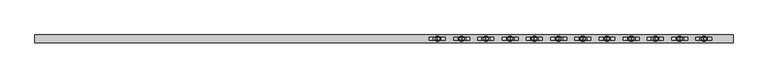
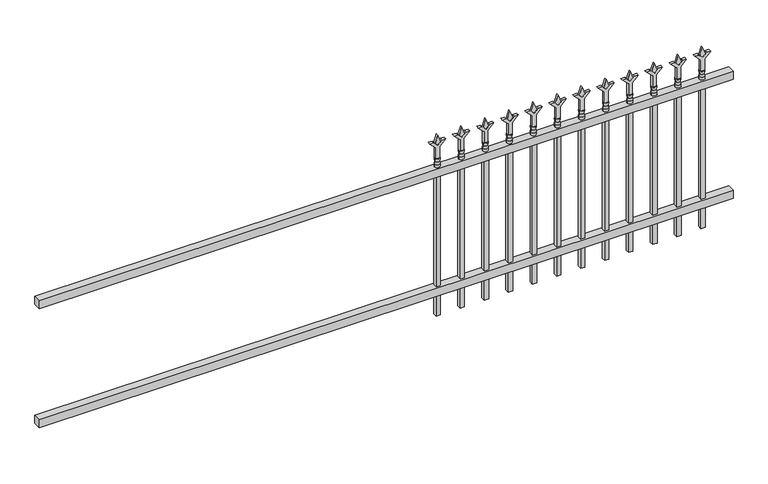
"""IFC4 building model written with IfcOpenShell, lengths in millimetres: railing geometry."""

from ifc_helpers import new_model, si_unit, frame, origin, place, context, project, spatial, polyline, circle_curve, outline, extrude, source, transform, mapped, element, save
from ifc_brep_helpers import plane_surface, cylinder_surface, revolved_surface, advanced_brep


def railing_bd4ea002(model_context):
    return source(origin(), model_context, "Body", "SolidModel", [
        extrude(outline(polyline([(-91799.918087, 5443.2804826), (-91799.918087, 5478.2054826), (-88650.318087, 5478.2054826), (-88650.318087, 5443.2804826), (-91799.918087, 5443.2804826)])), frame((0.0, 0.0, 723.9), z_axis=(0.0, 0.0, 1.0), x_axis=(1.0, 0.0, 0.0)), (0.0, 0.0, 1.0), 38.1),
        extrude(outline(polyline([(-91799.918087, 5443.2804826), (-91799.918087, 5478.2054826), (-88650.318087, 5478.2054826), (-88650.318087, 5443.2804826), (-91799.918087, 5443.2804826)])), frame((0.0, 0.0, 152.4), z_axis=(0.0, 0.0, 1.0), x_axis=(1.0, 0.0, 0.0)), (0.0, 0.0, 1.0), 38.1),
        extrude(outline(polyline([(878.68125, -88879.4472536), (914.4, -88891.3535036), (878.68125, -88903.2597536), (866.775, -88891.3535036), (878.68125, -88879.4472536)])), frame((0.0, 5455.9804826, 0.0), z_axis=(0.0, 1.0, 0.0), x_axis=(0.0, 0.0, 1.0)), (0.0, 0.0, 1.0), 9.525),
        extrude(outline(polyline([(803.275, -88882.6222536), (857.5457378, -88882.6222536), (884.7355122, -88855.4324791), (884.7355122, -88873.3929914), (866.775, -88891.3535036), (884.7355122, -88909.3140159), (884.7355122, -88927.2745281), (857.5457378, -88900.0847536), (803.275, -88900.0847536), (803.275, -88882.6222536)])), frame((0.0, 5454.3929826, 0.0), z_axis=(0.0, 1.0, 0.0), x_axis=(0.0, 0.0, 1.0)), (0.0, 0.0, 1.0), 12.7),
        advanced_brep(
        [(-88879.4472536, 5460.7429826, 774.7), (-88903.2597536, 5460.7429826, 774.7), (-88903.2597536, 5460.7429826, 762.0), (-88879.4472536, 5460.7429826, 762.0), (-88881.6525855, 5460.7429826, 787.2070585), (-88901.0544218, 5460.7429826, 787.2070585), (-88879.4472536, 5460.7429826, 803.275), (-88903.2597536, 5460.7429826, 803.275), (-88891.3535036, 5460.7429826, 803.275), (-88891.3535036, 5460.7429826, 762.0)],
        [
            (0, 1, circle_curve(frame((-88891.3535036, 5460.7429826, 774.7), z_axis=(0.0, 0.0, -1.0), x_axis=(-1.0, 0.0, 0.0)), 11.90625)),
            (1, 2),
            (2, 3, circle_curve(frame((-88891.3535036, 5460.7429826, 762.0), z_axis=(0.0, 0.0, 1.0), x_axis=(-1.0, 0.0, 0.0)), 11.90625)),
            (3, 0),
            (1, 0, circle_curve(frame((-88891.3535036, 5460.7429826, 774.7), z_axis=(0.0, 0.0, -1.0), x_axis=(-1.0, 0.0, 0.0)), 11.90625)),
            (3, 2, circle_curve(frame((-88891.3535036, 5460.7429826, 762.0), z_axis=(0.0, 0.0, 1.0), x_axis=(-1.0, 0.0, 0.0)), 11.90625)),
            (4, 5, circle_curve(frame((-88891.3535036, 5460.7429826, 787.2070585), z_axis=(0.0, 0.0, -1.0), x_axis=(-1.0, 0.0, 0.0)), 9.7009181)),
            (5, 1),
            (0, 4),
            (5, 4, circle_curve(frame((-88891.3535036, 5460.7429826, 787.2070585), z_axis=(0.0, 0.0, -1.0), x_axis=(-1.0, 0.0, 0.0)), 9.7009181)),
            (6, 7, circle_curve(frame((-88891.3535036, 5460.7429826, 803.275), z_axis=(0.0, 0.0, -1.0), x_axis=(-1.0, 0.0, 0.0)), 11.90625)),
            (7, 5),
            (4, 6),
            (7, 6, circle_curve(frame((-88891.3535036, 5460.7429826, 803.275), z_axis=(0.0, 0.0, -1.0), x_axis=(-1.0, 0.0, 0.0)), 11.90625)),
            (8, 7),
            (6, 8),
            (2, 9),
            (9, 3),
        ],
        [
            cylinder_surface(frame((-88891.3535036, 5460.7429826, 762.0), z_axis=(0.0, 0.0, 1.0), x_axis=(-1.0, 0.0, 0.0)), 11.90625),
            revolved_surface(polyline([(-88903.2597536, 5460.7429826, 774.7), (-88901.0544218, 5460.7429826, 787.2070585)]), (-88891.3535036, 5460.7429826, 762.0), (0.0, 0.0, 1.0)),
            revolved_surface(polyline([(-88901.0544218, 5460.7429826, 787.2070585), (-88903.2597536, 5460.7429826, 803.275)]), (-88891.3535036, 5460.7429826, 762.0), (0.0, 0.0, 1.0)),
            plane_surface(frame((-88891.3535036, 5460.7429826, 803.275), z_axis=(0.0, 0.0, 1.0), x_axis=(-1.0, 0.0, 0.0))),
            plane_surface(frame((-88891.3535036, 5460.7429826, 762.0), z_axis=(0.0, 0.0, -1.0), x_axis=(-1.0, 0.0, 0.0))),
        ],
        [
            (0, [[1, 2, 3, 4]]),
            (0, [[5, -4, 6, -2]]),
            (1, [[7, 8, -1, 9]]),
            (1, [[10, -9, -5, -8]]),
            (2, [[11, 12, -7, 13]]),
            (2, [[14, -13, -10, -12]]),
            (3, [[15, -11, 16]]),
            (3, [[-16, -14, -15]]),
            (4, [[-3, 17, 18]]),
            (4, [[-6, -18, -17]]),
        ],
    ),
        extrude(outline(polyline([(-88900.8785036, 5470.2679826), (-88881.8285036, 5470.2679826), (-88881.8285036, 5451.2179826), (-88900.8785036, 5451.2179826), (-88900.8785036, 5470.2679826)])), frame((0.0, 0.0, 50.8), z_axis=(0.0, 0.0, 1.0), x_axis=(1.0, 0.0, 0.0)), (0.0, 0.0, 1.0), 711.2),
        extrude(outline(polyline([(878.68125, -88988.7201703), (914.4, -89000.6264203), (878.68125, -89012.5326703), (866.775, -89000.6264203), (878.68125, -88988.7201703)])), frame((0.0, 5455.9804826, 0.0), z_axis=(0.0, 1.0, 0.0), x_axis=(0.0, 0.0, 1.0)), (0.0, 0.0, 1.0), 9.525),
        extrude(outline(polyline([(803.275, -88991.8951703), (857.5457378, -88991.8951703), (884.7355122, -88964.7053958), (884.7355122, -88982.6659081), (866.775, -89000.6264203), (884.7355122, -89018.5869325), (884.7355122, -89036.5474448), (857.5457378, -89009.3576703), (803.275, -89009.3576703), (803.275, -88991.8951703)])), frame((0.0, 5454.3929826, 0.0), z_axis=(0.0, 1.0, 0.0), x_axis=(0.0, 0.0, 1.0)), (0.0, 0.0, 1.0), 12.7),
        advanced_brep(
        [(-88988.7201703, 5460.7429826, 774.7), (-89012.5326703, 5460.7429826, 774.7), (-89012.5326703, 5460.7429826, 762.0), (-88988.7201703, 5460.7429826, 762.0), (-88990.9255022, 5460.7429826, 787.2070585), (-89010.3273384, 5460.7429826, 787.2070585), (-88988.7201703, 5460.7429826, 803.275), (-89012.5326703, 5460.7429826, 803.275), (-89000.6264203, 5460.7429826, 803.275), (-89000.6264203, 5460.7429826, 762.0)],
        [
            (0, 1, circle_curve(frame((-89000.6264203, 5460.7429826, 774.7), z_axis=(0.0, 0.0, -1.0), x_axis=(-1.0, 0.0, 0.0)), 11.90625)),
            (1, 2),
            (2, 3, circle_curve(frame((-89000.6264203, 5460.7429826, 762.0), z_axis=(0.0, 0.0, 1.0), x_axis=(-1.0, 0.0, 0.0)), 11.90625)),
            (3, 0),
            (1, 0, circle_curve(frame((-89000.6264203, 5460.7429826, 774.7), z_axis=(0.0, 0.0, -1.0), x_axis=(-1.0, 0.0, 0.0)), 11.90625)),
            (3, 2, circle_curve(frame((-89000.6264203, 5460.7429826, 762.0), z_axis=(0.0, 0.0, 1.0), x_axis=(-1.0, 0.0, 0.0)), 11.90625)),
            (4, 5, circle_curve(frame((-89000.6264203, 5460.7429826, 787.2070585), z_axis=(0.0, 0.0, -1.0), x_axis=(-1.0, 0.0, 0.0)), 9.7009181)),
            (5, 1),
            (0, 4),
            (5, 4, circle_curve(frame((-89000.6264203, 5460.7429826, 787.2070585), z_axis=(0.0, 0.0, -1.0), x_axis=(-1.0, 0.0, 0.0)), 9.7009181)),
            (6, 7, circle_curve(frame((-89000.6264203, 5460.7429826, 803.275), z_axis=(0.0, 0.0, -1.0), x_axis=(-1.0, 0.0, 0.0)), 11.90625)),
            (7, 5),
            (4, 6),
            (7, 6, circle_curve(frame((-89000.6264203, 5460.7429826, 803.275), z_axis=(0.0, 0.0, -1.0), x_axis=(-1.0, 0.0, 0.0)), 11.90625)),
            (8, 7),
            (6, 8),
            (2, 9),
            (9, 3),
        ],
        [
            cylinder_surface(frame((-89000.6264203, 5460.7429826, 762.0), z_axis=(0.0, 0.0, 1.0), x_axis=(-1.0, 0.0, 0.0)), 11.90625),
            revolved_surface(polyline([(-89012.5326703, 5460.7429826, 774.7), (-89010.3273384, 5460.7429826, 787.2070585)]), (-89000.6264203, 5460.7429826, 762.0), (0.0, 0.0, 1.0)),
            revolved_surface(polyline([(-89010.3273384, 5460.7429826, 787.2070585), (-89012.5326703, 5460.7429826, 803.275)]), (-89000.6264203, 5460.7429826, 762.0), (0.0, 0.0, 1.0)),
            plane_surface(frame((-89000.6264203, 5460.7429826, 803.275), z_axis=(0.0, 0.0, 1.0), x_axis=(-1.0, 0.0, 0.0))),
            plane_surface(frame((-89000.6264203, 5460.7429826, 762.0), z_axis=(0.0, 0.0, -1.0), x_axis=(-1.0, 0.0, 0.0))),
        ],
        [
            (0, [[1, 2, 3, 4]]),
            (0, [[5, -4, 6, -2]]),
            (1, [[7, 8, -1, 9]]),
            (1, [[10, -9, -5, -8]]),
            (2, [[11, 12, -7, 13]]),
            (2, [[14, -13, -10, -12]]),
            (3, [[15, -11, 16]]),
            (3, [[-16, -14, -15]]),
            (4, [[-3, 17, 18]]),
            (4, [[-6, -18, -17]]),
        ],
    ),
        extrude(outline(polyline([(-89010.1514203, 5470.2679826), (-88991.1014203, 5470.2679826), (-88991.1014203, 5451.2179826), (-89010.1514203, 5451.2179826), (-89010.1514203, 5470.2679826)])), frame((0.0, 0.0, 50.8), z_axis=(0.0, 0.0, 1.0), x_axis=(1.0, 0.0, 0.0)), (0.0, 0.0, 1.0), 711.2),
        extrude(outline(polyline([(878.68125, -89097.993087), (914.4, -89109.899337), (878.68125, -89121.805587), (866.775, -89109.899337), (878.68125, -89097.993087)])), frame((0.0, 5455.9804826, 0.0), z_axis=(0.0, 1.0, 0.0), x_axis=(0.0, 0.0, 1.0)), (0.0, 0.0, 1.0), 9.525),
        extrude(outline(polyline([(803.275, -89101.168087), (857.5457378, -89101.168087), (884.7355122, -89073.9783125), (884.7355122, -89091.9388247), (866.775, -89109.899337), (884.7355122, -89127.8598492), (884.7355122, -89145.8203614), (857.5457378, -89118.630587), (803.275, -89118.630587), (803.275, -89101.168087)])), frame((0.0, 5454.3929826, 0.0), z_axis=(0.0, 1.0, 0.0), x_axis=(0.0, 0.0, 1.0)), (0.0, 0.0, 1.0), 12.7),
        advanced_brep(
        [(-89097.993087, 5460.7429826, 774.7), (-89121.805587, 5460.7429826, 774.7), (-89121.805587, 5460.7429826, 762.0), (-89097.993087, 5460.7429826, 762.0), (-89100.1984188, 5460.7429826, 787.2070585), (-89119.6002551, 5460.7429826, 787.2070585), (-89097.993087, 5460.7429826, 803.275), (-89121.805587, 5460.7429826, 803.275), (-89109.899337, 5460.7429826, 803.275), (-89109.899337, 5460.7429826, 762.0)],
        [
            (0, 1, circle_curve(frame((-89109.899337, 5460.7429826, 774.7), z_axis=(0.0, 0.0, -1.0), x_axis=(-1.0, 0.0, 0.0)), 11.90625)),
            (1, 2),
            (2, 3, circle_curve(frame((-89109.899337, 5460.7429826, 762.0), z_axis=(0.0, 0.0, 1.0), x_axis=(-1.0, 0.0, 0.0)), 11.90625)),
            (3, 0),
            (1, 0, circle_curve(frame((-89109.899337, 5460.7429826, 774.7), z_axis=(0.0, 0.0, -1.0), x_axis=(-1.0, 0.0, 0.0)), 11.90625)),
            (3, 2, circle_curve(frame((-89109.899337, 5460.7429826, 762.0), z_axis=(0.0, 0.0, 1.0), x_axis=(-1.0, 0.0, 0.0)), 11.90625)),
            (4, 5, circle_curve(frame((-89109.899337, 5460.7429826, 787.2070585), z_axis=(0.0, 0.0, -1.0), x_axis=(-1.0, 0.0, 0.0)), 9.7009181)),
            (5, 1),
            (0, 4),
            (5, 4, circle_curve(frame((-89109.899337, 5460.7429826, 787.2070585), z_axis=(0.0, 0.0, -1.0), x_axis=(-1.0, 0.0, 0.0)), 9.7009181)),
            (6, 7, circle_curve(frame((-89109.899337, 5460.7429826, 803.275), z_axis=(0.0, 0.0, -1.0), x_axis=(-1.0, 0.0, 0.0)), 11.90625)),
            (7, 5),
            (4, 6),
            (7, 6, circle_curve(frame((-89109.899337, 5460.7429826, 803.275), z_axis=(0.0, 0.0, -1.0), x_axis=(-1.0, 0.0, 0.0)), 11.90625)),
            (8, 7),
            (6, 8),
            (2, 9),
            (9, 3),
        ],
        [
            cylinder_surface(frame((-89109.899337, 5460.7429826, 762.0), z_axis=(0.0, 0.0, 1.0), x_axis=(-1.0, 0.0, 0.0)), 11.90625),
            revolved_surface(polyline([(-89121.805587, 5460.7429826, 774.7), (-89119.6002551, 5460.7429826, 787.2070585)]), (-89109.899337, 5460.7429826, 762.0), (0.0, 0.0, 1.0)),
            revolved_surface(polyline([(-89119.6002551, 5460.7429826, 787.2070585), (-89121.805587, 5460.7429826, 803.275)]), (-89109.899337, 5460.7429826, 762.0), (0.0, 0.0, 1.0)),
            plane_surface(frame((-89109.899337, 5460.7429826, 803.275), z_axis=(0.0, 0.0, 1.0), x_axis=(-1.0, 0.0, 0.0))),
            plane_surface(frame((-89109.899337, 5460.7429826, 762.0), z_axis=(0.0, 0.0, -1.0), x_axis=(-1.0, 0.0, 0.0))),
        ],
        [
            (0, [[1, 2, 3, 4]]),
            (0, [[5, -4, 6, -2]]),
            (1, [[7, 8, -1, 9]]),
            (1, [[10, -9, -5, -8]]),
            (2, [[11, 12, -7, 13]]),
            (2, [[14, -13, -10, -12]]),
            (3, [[15, -11, 16]]),
            (3, [[-16, -14, -15]]),
            (4, [[-3, 17, 18]]),
            (4, [[-6, -18, -17]]),
        ],
    ),
        extrude(outline(polyline([(-89119.424337, 5470.2679826), (-89100.374337, 5470.2679826), (-89100.374337, 5451.2179826), (-89119.424337, 5451.2179826), (-89119.424337, 5470.2679826)])), frame((0.0, 0.0, 50.8), z_axis=(0.0, 0.0, 1.0), x_axis=(1.0, 0.0, 0.0)), (0.0, 0.0, 1.0), 711.2),
        extrude(outline(polyline([(878.68125, -89207.2660036), (914.4, -89219.1722536), (878.68125, -89231.0785036), (866.775, -89219.1722536), (878.68125, -89207.2660036)])), frame((0.0, 5455.9804826, 0.0), z_axis=(0.0, 1.0, 0.0), x_axis=(0.0, 0.0, 1.0)), (0.0, 0.0, 1.0), 9.525),
        extrude(outline(polyline([(803.275, -89210.4410036), (857.5457378, -89210.4410036), (884.7355122, -89183.2512291), (884.7355122, -89201.2117414), (866.775, -89219.1722536), (884.7355122, -89237.1327659), (884.7355122, -89255.0932781), (857.5457378, -89227.9035036), (803.275, -89227.9035036), (803.275, -89210.4410036)])), frame((0.0, 5454.3929826, 0.0), z_axis=(0.0, 1.0, 0.0), x_axis=(0.0, 0.0, 1.0)), (0.0, 0.0, 1.0), 12.7),
        advanced_brep(
        [(-89207.2660036, 5460.7429826, 774.7), (-89231.0785036, 5460.7429826, 774.7), (-89231.0785036, 5460.7429826, 762.0), (-89207.2660036, 5460.7429826, 762.0), (-89209.4713355, 5460.7429826, 787.2070585), (-89228.8731718, 5460.7429826, 787.2070585), (-89207.2660036, 5460.7429826, 803.275), (-89231.0785036, 5460.7429826, 803.275), (-89219.1722536, 5460.7429826, 803.275), (-89219.1722536, 5460.7429826, 762.0)],
        [
            (0, 1, circle_curve(frame((-89219.1722536, 5460.7429826, 774.7), z_axis=(0.0, 0.0, -1.0), x_axis=(-1.0, 0.0, 0.0)), 11.90625)),
            (1, 2),
            (2, 3, circle_curve(frame((-89219.1722536, 5460.7429826, 762.0), z_axis=(0.0, 0.0, 1.0), x_axis=(-1.0, 0.0, 0.0)), 11.90625)),
            (3, 0),
            (1, 0, circle_curve(frame((-89219.1722536, 5460.7429826, 774.7), z_axis=(0.0, 0.0, -1.0), x_axis=(-1.0, 0.0, 0.0)), 11.90625)),
            (3, 2, circle_curve(frame((-89219.1722536, 5460.7429826, 762.0), z_axis=(0.0, 0.0, 1.0), x_axis=(-1.0, 0.0, 0.0)), 11.90625)),
            (4, 5, circle_curve(frame((-89219.1722536, 5460.7429826, 787.2070585), z_axis=(0.0, 0.0, -1.0), x_axis=(-1.0, 0.0, 0.0)), 9.7009181)),
            (5, 1),
            (0, 4),
            (5, 4, circle_curve(frame((-89219.1722536, 5460.7429826, 787.2070585), z_axis=(0.0, 0.0, -1.0), x_axis=(-1.0, 0.0, 0.0)), 9.7009181)),
            (6, 7, circle_curve(frame((-89219.1722536, 5460.7429826, 803.275), z_axis=(0.0, 0.0, -1.0), x_axis=(-1.0, 0.0, 0.0)), 11.90625)),
            (7, 5),
            (4, 6),
            (7, 6, circle_curve(frame((-89219.1722536, 5460.7429826, 803.275), z_axis=(0.0, 0.0, -1.0), x_axis=(-1.0, 0.0, 0.0)), 11.90625)),
            (8, 7),
            (6, 8),
            (2, 9),
            (9, 3),
        ],
        [
            cylinder_surface(frame((-89219.1722536, 5460.7429826, 762.0), z_axis=(0.0, 0.0, 1.0), x_axis=(-1.0, 0.0, 0.0)), 11.90625),
            revolved_surface(polyline([(-89231.0785036, 5460.7429826, 774.7), (-89228.8731718, 5460.7429826, 787.2070585)]), (-89219.1722536, 5460.7429826, 762.0), (0.0, 0.0, 1.0)),
            revolved_surface(polyline([(-89228.8731718, 5460.7429826, 787.2070585), (-89231.0785036, 5460.7429826, 803.275)]), (-89219.1722536, 5460.7429826, 762.0), (0.0, 0.0, 1.0)),
            plane_surface(frame((-89219.1722536, 5460.7429826, 803.275), z_axis=(0.0, 0.0, 1.0), x_axis=(-1.0, 0.0, 0.0))),
            plane_surface(frame((-89219.1722536, 5460.7429826, 762.0), z_axis=(0.0, 0.0, -1.0), x_axis=(-1.0, 0.0, 0.0))),
        ],
        [
            (0, [[1, 2, 3, 4]]),
            (0, [[5, -4, 6, -2]]),
            (1, [[7, 8, -1, 9]]),
            (1, [[10, -9, -5, -8]]),
            (2, [[11, 12, -7, 13]]),
            (2, [[14, -13, -10, -12]]),
            (3, [[15, -11, 16]]),
            (3, [[-16, -14, -15]]),
            (4, [[-3, 17, 18]]),
            (4, [[-6, -18, -17]]),
        ],
    ),
        extrude(outline(polyline([(-89228.6972536, 5470.2679826), (-89209.6472536, 5470.2679826), (-89209.6472536, 5451.2179826), (-89228.6972536, 5451.2179826), (-89228.6972536, 5470.2679826)])), frame((0.0, 0.0, 50.8), z_axis=(0.0, 0.0, 1.0), x_axis=(1.0, 0.0, 0.0)), (0.0, 0.0, 1.0), 711.2),
        extrude(outline(polyline([(878.68125, -89316.5389203), (914.4, -89328.4451703), (878.68125, -89340.3514203), (866.775, -89328.4451703), (878.68125, -89316.5389203)])), frame((0.0, 5455.9804826, 0.0), z_axis=(0.0, 1.0, 0.0), x_axis=(0.0, 0.0, 1.0)), (0.0, 0.0, 1.0), 9.525),
        extrude(outline(polyline([(803.275, -89319.7139203), (857.5457378, -89319.7139203), (884.7355122, -89292.5241458), (884.7355122, -89310.4846581), (866.775, -89328.4451703), (884.7355122, -89346.4056825), (884.7355122, -89364.3661948), (857.5457378, -89337.1764203), (803.275, -89337.1764203), (803.275, -89319.7139203)])), frame((0.0, 5454.3929826, 0.0), z_axis=(0.0, 1.0, 0.0), x_axis=(0.0, 0.0, 1.0)), (0.0, 0.0, 1.0), 12.7),
        advanced_brep(
        [(-89316.5389203, 5460.7429826, 774.7), (-89340.3514203, 5460.7429826, 774.7), (-89340.3514203, 5460.7429826, 762.0), (-89316.5389203, 5460.7429826, 762.0), (-89318.7442522, 5460.7429826, 787.2070585), (-89338.1460884, 5460.7429826, 787.2070585), (-89316.5389203, 5460.7429826, 803.275), (-89340.3514203, 5460.7429826, 803.275), (-89328.4451703, 5460.7429826, 803.275), (-89328.4451703, 5460.7429826, 762.0)],
        [
            (0, 1, circle_curve(frame((-89328.4451703, 5460.7429826, 774.7), z_axis=(0.0, 0.0, -1.0), x_axis=(-1.0, 0.0, 0.0)), 11.90625)),
            (1, 2),
            (2, 3, circle_curve(frame((-89328.4451703, 5460.7429826, 762.0), z_axis=(0.0, 0.0, 1.0), x_axis=(-1.0, 0.0, 0.0)), 11.90625)),
            (3, 0),
            (1, 0, circle_curve(frame((-89328.4451703, 5460.7429826, 774.7), z_axis=(0.0, 0.0, -1.0), x_axis=(-1.0, 0.0, 0.0)), 11.90625)),
            (3, 2, circle_curve(frame((-89328.4451703, 5460.7429826, 762.0), z_axis=(0.0, 0.0, 1.0), x_axis=(-1.0, 0.0, 0.0)), 11.90625)),
            (4, 5, circle_curve(frame((-89328.4451703, 5460.7429826, 787.2070585), z_axis=(0.0, 0.0, -1.0), x_axis=(-1.0, 0.0, 0.0)), 9.7009181)),
            (5, 1),
            (0, 4),
            (5, 4, circle_curve(frame((-89328.4451703, 5460.7429826, 787.2070585), z_axis=(0.0, 0.0, -1.0), x_axis=(-1.0, 0.0, 0.0)), 9.7009181)),
            (6, 7, circle_curve(frame((-89328.4451703, 5460.7429826, 803.275), z_axis=(0.0, 0.0, -1.0), x_axis=(-1.0, 0.0, 0.0)), 11.90625)),
            (7, 5),
            (4, 6),
            (7, 6, circle_curve(frame((-89328.4451703, 5460.7429826, 803.275), z_axis=(0.0, 0.0, -1.0), x_axis=(-1.0, 0.0, 0.0)), 11.90625)),
            (8, 7),
            (6, 8),
            (2, 9),
            (9, 3),
        ],
        [
            cylinder_surface(frame((-89328.4451703, 5460.7429826, 762.0), z_axis=(0.0, 0.0, 1.0), x_axis=(-1.0, 0.0, 0.0)), 11.90625),
            revolved_surface(polyline([(-89340.3514203, 5460.7429826, 774.7), (-89338.1460884, 5460.7429826, 787.2070585)]), (-89328.4451703, 5460.7429826, 762.0), (0.0, 0.0, 1.0)),
            revolved_surface(polyline([(-89338.1460884, 5460.7429826, 787.2070585), (-89340.3514203, 5460.7429826, 803.275)]), (-89328.4451703, 5460.7429826, 762.0), (0.0, 0.0, 1.0)),
            plane_surface(frame((-89328.4451703, 5460.7429826, 803.275), z_axis=(0.0, 0.0, 1.0), x_axis=(-1.0, 0.0, 0.0))),
            plane_surface(frame((-89328.4451703, 5460.7429826, 762.0), z_axis=(0.0, 0.0, -1.0), x_axis=(-1.0, 0.0, 0.0))),
        ],
        [
            (0, [[1, 2, 3, 4]]),
            (0, [[5, -4, 6, -2]]),
            (1, [[7, 8, -1, 9]]),
            (1, [[10, -9, -5, -8]]),
            (2, [[11, 12, -7, 13]]),
            (2, [[14, -13, -10, -12]]),
            (3, [[15, -11, 16]]),
            (3, [[-16, -14, -15]]),
            (4, [[-3, 17, 18]]),
            (4, [[-6, -18, -17]]),
        ],
    ),
        extrude(outline(polyline([(-89337.9701703, 5470.2679826), (-89318.9201703, 5470.2679826), (-89318.9201703, 5451.2179826), (-89337.9701703, 5451.2179826), (-89337.9701703, 5470.2679826)])), frame((0.0, 0.0, 50.8), z_axis=(0.0, 0.0, 1.0), x_axis=(1.0, 0.0, 0.0)), (0.0, 0.0, 1.0), 711.2),
        extrude(outline(polyline([(878.68125, -89425.811837), (914.4, -89437.718087), (878.68125, -89449.624337), (866.775, -89437.718087), (878.68125, -89425.811837)])), frame((0.0, 5455.9804826, 0.0), z_axis=(0.0, 1.0, 0.0), x_axis=(0.0, 0.0, 1.0)), (0.0, 0.0, 1.0), 9.525),
        extrude(outline(polyline([(803.275, -89428.986837), (857.5457378, -89428.986837), (884.7355122, -89401.7970625), (884.7355122, -89419.7575747), (866.775, -89437.718087), (884.7355122, -89455.6785992), (884.7355122, -89473.6391114), (857.5457378, -89446.449337), (803.275, -89446.449337), (803.275, -89428.986837)])), frame((0.0, 5454.3929826, 0.0), z_axis=(0.0, 1.0, 0.0), x_axis=(0.0, 0.0, 1.0)), (0.0, 0.0, 1.0), 12.7),
        advanced_brep(
        [(-89425.811837, 5460.7429826, 774.7), (-89449.624337, 5460.7429826, 774.7), (-89449.624337, 5460.7429826, 762.0), (-89425.811837, 5460.7429826, 762.0), (-89428.0171688, 5460.7429826, 787.2070585), (-89447.4190051, 5460.7429826, 787.2070585), (-89425.811837, 5460.7429826, 803.275), (-89449.624337, 5460.7429826, 803.275), (-89437.718087, 5460.7429826, 803.275), (-89437.718087, 5460.7429826, 762.0)],
        [
            (0, 1, circle_curve(frame((-89437.718087, 5460.7429826, 774.7), z_axis=(0.0, 0.0, -1.0), x_axis=(-1.0, 0.0, 0.0)), 11.90625)),
            (1, 2),
            (2, 3, circle_curve(frame((-89437.718087, 5460.7429826, 762.0), z_axis=(0.0, 0.0, 1.0), x_axis=(-1.0, 0.0, 0.0)), 11.90625)),
            (3, 0),
            (1, 0, circle_curve(frame((-89437.718087, 5460.7429826, 774.7), z_axis=(0.0, 0.0, -1.0), x_axis=(-1.0, 0.0, 0.0)), 11.90625)),
            (3, 2, circle_curve(frame((-89437.718087, 5460.7429826, 762.0), z_axis=(0.0, 0.0, 1.0), x_axis=(-1.0, 0.0, 0.0)), 11.90625)),
            (4, 5, circle_curve(frame((-89437.718087, 5460.7429826, 787.2070585), z_axis=(0.0, 0.0, -1.0), x_axis=(-1.0, 0.0, 0.0)), 9.7009181)),
            (5, 1),
            (0, 4),
            (5, 4, circle_curve(frame((-89437.718087, 5460.7429826, 787.2070585), z_axis=(0.0, 0.0, -1.0), x_axis=(-1.0, 0.0, 0.0)), 9.7009181)),
            (6, 7, circle_curve(frame((-89437.718087, 5460.7429826, 803.275), z_axis=(0.0, 0.0, -1.0), x_axis=(-1.0, 0.0, 0.0)), 11.90625)),
            (7, 5),
            (4, 6),
            (7, 6, circle_curve(frame((-89437.718087, 5460.7429826, 803.275), z_axis=(0.0, 0.0, -1.0), x_axis=(-1.0, 0.0, 0.0)), 11.90625)),
            (8, 7),
            (6, 8),
            (2, 9),
            (9, 3),
        ],
        [
            cylinder_surface(frame((-89437.718087, 5460.7429826, 762.0), z_axis=(0.0, 0.0, 1.0), x_axis=(-1.0, 0.0, 0.0)), 11.90625),
            revolved_surface(polyline([(-89449.624337, 5460.7429826, 774.7), (-89447.4190051, 5460.7429826, 787.2070585)]), (-89437.718087, 5460.7429826, 762.0), (0.0, 0.0, 1.0)),
            revolved_surface(polyline([(-89447.4190051, 5460.7429826, 787.2070585), (-89449.624337, 5460.7429826, 803.275)]), (-89437.718087, 5460.7429826, 762.0), (0.0, 0.0, 1.0)),
            plane_surface(frame((-89437.718087, 5460.7429826, 803.275), z_axis=(0.0, 0.0, 1.0), x_axis=(-1.0, 0.0, 0.0))),
            plane_surface(frame((-89437.718087, 5460.7429826, 762.0), z_axis=(0.0, 0.0, -1.0), x_axis=(-1.0, 0.0, 0.0))),
        ],
        [
            (0, [[1, 2, 3, 4]]),
            (0, [[5, -4, 6, -2]]),
            (1, [[7, 8, -1, 9]]),
            (1, [[10, -9, -5, -8]]),
            (2, [[11, 12, -7, 13]]),
            (2, [[14, -13, -10, -12]]),
            (3, [[15, -11, 16]]),
            (3, [[-16, -14, -15]]),
            (4, [[-3, 17, 18]]),
            (4, [[-6, -18, -17]]),
        ],
    ),
        extrude(outline(polyline([(-89447.243087, 5470.2679826), (-89428.193087, 5470.2679826), (-89428.193087, 5451.2179826), (-89447.243087, 5451.2179826), (-89447.243087, 5470.2679826)])), frame((0.0, 0.0, 50.8), z_axis=(0.0, 0.0, 1.0), x_axis=(1.0, 0.0, 0.0)), (0.0, 0.0, 1.0), 711.2),
        extrude(outline(polyline([(878.68125, -89535.0847536), (914.4, -89546.9910036), (878.68125, -89558.8972536), (866.775, -89546.9910036), (878.68125, -89535.0847536)])), frame((0.0, 5455.9804826, 0.0), z_axis=(0.0, 1.0, 0.0), x_axis=(0.0, 0.0, 1.0)), (0.0, 0.0, 1.0), 9.525),
        extrude(outline(polyline([(803.275, -89538.2597536), (857.5457378, -89538.2597536), (884.7355122, -89511.0699791), (884.7355122, -89529.0304914), (866.775, -89546.9910036), (884.7355122, -89564.9515159), (884.7355122, -89582.9120281), (857.5457378, -89555.7222536), (803.275, -89555.7222536), (803.275, -89538.2597536)])), frame((0.0, 5454.3929826, 0.0), z_axis=(0.0, 1.0, 0.0), x_axis=(0.0, 0.0, 1.0)), (0.0, 0.0, 1.0), 12.7),
        advanced_brep(
        [(-89535.0847536, 5460.7429826, 774.7), (-89558.8972536, 5460.7429826, 774.7), (-89558.8972536, 5460.7429826, 762.0), (-89535.0847536, 5460.7429826, 762.0), (-89537.2900855, 5460.7429826, 787.2070585), (-89556.6919218, 5460.7429826, 787.2070585), (-89535.0847536, 5460.7429826, 803.275), (-89558.8972536, 5460.7429826, 803.275), (-89546.9910036, 5460.7429826, 803.275), (-89546.9910036, 5460.7429826, 762.0)],
        [
            (0, 1, circle_curve(frame((-89546.9910036, 5460.7429826, 774.7), z_axis=(0.0, 0.0, -1.0), x_axis=(-1.0, 0.0, 0.0)), 11.90625)),
            (1, 2),
            (2, 3, circle_curve(frame((-89546.9910036, 5460.7429826, 762.0), z_axis=(0.0, 0.0, 1.0), x_axis=(-1.0, 0.0, 0.0)), 11.90625)),
            (3, 0),
            (1, 0, circle_curve(frame((-89546.9910036, 5460.7429826, 774.7), z_axis=(0.0, 0.0, -1.0), x_axis=(-1.0, 0.0, 0.0)), 11.90625)),
            (3, 2, circle_curve(frame((-89546.9910036, 5460.7429826, 762.0), z_axis=(0.0, 0.0, 1.0), x_axis=(-1.0, 0.0, 0.0)), 11.90625)),
            (4, 5, circle_curve(frame((-89546.9910036, 5460.7429826, 787.2070585), z_axis=(0.0, 0.0, -1.0), x_axis=(-1.0, 0.0, 0.0)), 9.7009181)),
            (5, 1),
            (0, 4),
            (5, 4, circle_curve(frame((-89546.9910036, 5460.7429826, 787.2070585), z_axis=(0.0, 0.0, -1.0), x_axis=(-1.0, 0.0, 0.0)), 9.7009181)),
            (6, 7, circle_curve(frame((-89546.9910036, 5460.7429826, 803.275), z_axis=(0.0, 0.0, -1.0), x_axis=(-1.0, 0.0, 0.0)), 11.90625)),
            (7, 5),
            (4, 6),
            (7, 6, circle_curve(frame((-89546.9910036, 5460.7429826, 803.275), z_axis=(0.0, 0.0, -1.0), x_axis=(-1.0, 0.0, 0.0)), 11.90625)),
            (8, 7),
            (6, 8),
            (2, 9),
            (9, 3),
        ],
        [
            cylinder_surface(frame((-89546.9910036, 5460.7429826, 762.0), z_axis=(0.0, 0.0, 1.0), x_axis=(-1.0, 0.0, 0.0)), 11.90625),
            revolved_surface(polyline([(-89558.8972536, 5460.7429826, 774.7), (-89556.6919218, 5460.7429826, 787.2070585)]), (-89546.9910036, 5460.7429826, 762.0), (0.0, 0.0, 1.0)),
            revolved_surface(polyline([(-89556.6919218, 5460.7429826, 787.2070585), (-89558.8972536, 5460.7429826, 803.275)]), (-89546.9910036, 5460.7429826, 762.0), (0.0, 0.0, 1.0)),
            plane_surface(frame((-89546.9910036, 5460.7429826, 803.275), z_axis=(0.0, 0.0, 1.0), x_axis=(-1.0, 0.0, 0.0))),
            plane_surface(frame((-89546.9910036, 5460.7429826, 762.0), z_axis=(0.0, 0.0, -1.0), x_axis=(-1.0, 0.0, 0.0))),
        ],
        [
            (0, [[1, 2, 3, 4]]),
            (0, [[5, -4, 6, -2]]),
            (1, [[7, 8, -1, 9]]),
            (1, [[10, -9, -5, -8]]),
            (2, [[11, 12, -7, 13]]),
            (2, [[14, -13, -10, -12]]),
            (3, [[15, -11, 16]]),
            (3, [[-16, -14, -15]]),
            (4, [[-3, 17, 18]]),
            (4, [[-6, -18, -17]]),
        ],
    ),
        extrude(outline(polyline([(-89556.5160036, 5470.2679826), (-89537.4660036, 5470.2679826), (-89537.4660036, 5451.2179826), (-89556.5160036, 5451.2179826), (-89556.5160036, 5470.2679826)])), frame((0.0, 0.0, 50.8), z_axis=(0.0, 0.0, 1.0), x_axis=(1.0, 0.0, 0.0)), (0.0, 0.0, 1.0), 711.2),
        extrude(outline(polyline([(878.68125, -89644.3576703), (914.4, -89656.2639203), (878.68125, -89668.1701703), (866.775, -89656.2639203), (878.68125, -89644.3576703)])), frame((0.0, 5455.9804826, 0.0), z_axis=(0.0, 1.0, 0.0), x_axis=(0.0, 0.0, 1.0)), (0.0, 0.0, 1.0), 9.525),
        extrude(outline(polyline([(803.275, -89647.5326703), (857.5457378, -89647.5326703), (884.7355122, -89620.3428958), (884.7355122, -89638.3034081), (866.775, -89656.2639203), (884.7355122, -89674.2244325), (884.7355122, -89692.1849448), (857.5457378, -89664.9951703), (803.275, -89664.9951703), (803.275, -89647.5326703)])), frame((0.0, 5454.3929826, 0.0), z_axis=(0.0, 1.0, 0.0), x_axis=(0.0, 0.0, 1.0)), (0.0, 0.0, 1.0), 12.7),
        advanced_brep(
        [(-89644.3576703, 5460.7429826, 774.7), (-89668.1701703, 5460.7429826, 774.7), (-89668.1701703, 5460.7429826, 762.0), (-89644.3576703, 5460.7429826, 762.0), (-89646.5630022, 5460.7429826, 787.2070585), (-89665.9648384, 5460.7429826, 787.2070585), (-89644.3576703, 5460.7429826, 803.275), (-89668.1701703, 5460.7429826, 803.275), (-89656.2639203, 5460.7429826, 803.275), (-89656.2639203, 5460.7429826, 762.0)],
        [
            (0, 1, circle_curve(frame((-89656.2639203, 5460.7429826, 774.7), z_axis=(0.0, 0.0, -1.0), x_axis=(-1.0, 0.0, 0.0)), 11.90625)),
            (1, 2),
            (2, 3, circle_curve(frame((-89656.2639203, 5460.7429826, 762.0), z_axis=(0.0, 0.0, 1.0), x_axis=(-1.0, 0.0, 0.0)), 11.90625)),
            (3, 0),
            (1, 0, circle_curve(frame((-89656.2639203, 5460.7429826, 774.7), z_axis=(0.0, 0.0, -1.0), x_axis=(-1.0, 0.0, 0.0)), 11.90625)),
            (3, 2, circle_curve(frame((-89656.2639203, 5460.7429826, 762.0), z_axis=(0.0, 0.0, 1.0), x_axis=(-1.0, 0.0, 0.0)), 11.90625)),
            (4, 5, circle_curve(frame((-89656.2639203, 5460.7429826, 787.2070585), z_axis=(0.0, 0.0, -1.0), x_axis=(-1.0, 0.0, 0.0)), 9.7009181)),
            (5, 1),
            (0, 4),
            (5, 4, circle_curve(frame((-89656.2639203, 5460.7429826, 787.2070585), z_axis=(0.0, 0.0, -1.0), x_axis=(-1.0, 0.0, 0.0)), 9.7009181)),
            (6, 7, circle_curve(frame((-89656.2639203, 5460.7429826, 803.275), z_axis=(0.0, 0.0, -1.0), x_axis=(-1.0, 0.0, 0.0)), 11.90625)),
            (7, 5),
            (4, 6),
            (7, 6, circle_curve(frame((-89656.2639203, 5460.7429826, 803.275), z_axis=(0.0, 0.0, -1.0), x_axis=(-1.0, 0.0, 0.0)), 11.90625)),
            (8, 7),
            (6, 8),
            (2, 9),
            (9, 3),
        ],
        [
            cylinder_surface(frame((-89656.2639203, 5460.7429826, 762.0), z_axis=(0.0, 0.0, 1.0), x_axis=(-1.0, 0.0, 0.0)), 11.90625),
            revolved_surface(polyline([(-89668.1701703, 5460.7429826, 774.7), (-89665.9648384, 5460.7429826, 787.2070585)]), (-89656.2639203, 5460.7429826, 762.0), (0.0, 0.0, 1.0)),
            revolved_surface(polyline([(-89665.9648384, 5460.7429826, 787.2070585), (-89668.1701703, 5460.7429826, 803.275)]), (-89656.2639203, 5460.7429826, 762.0), (0.0, 0.0, 1.0)),
            plane_surface(frame((-89656.2639203, 5460.7429826, 803.275), z_axis=(0.0, 0.0, 1.0), x_axis=(-1.0, 0.0, 0.0))),
            plane_surface(frame((-89656.2639203, 5460.7429826, 762.0), z_axis=(0.0, 0.0, -1.0), x_axis=(-1.0, 0.0, 0.0))),
        ],
        [
            (0, [[1, 2, 3, 4]]),
            (0, [[5, -4, 6, -2]]),
            (1, [[7, 8, -1, 9]]),
            (1, [[10, -9, -5, -8]]),
            (2, [[11, 12, -7, 13]]),
            (2, [[14, -13, -10, -12]]),
            (3, [[15, -11, 16]]),
            (3, [[-16, -14, -15]]),
            (4, [[-3, 17, 18]]),
            (4, [[-6, -18, -17]]),
        ],
    ),
        extrude(outline(polyline([(-89665.7889203, 5470.2679826), (-89646.7389203, 5470.2679826), (-89646.7389203, 5451.2179826), (-89665.7889203, 5451.2179826), (-89665.7889203, 5470.2679826)])), frame((0.0, 0.0, 50.8), z_axis=(0.0, 0.0, 1.0), x_axis=(1.0, 0.0, 0.0)), (0.0, 0.0, 1.0), 711.2),
        extrude(outline(polyline([(878.68125, -89753.630587), (914.4, -89765.536837), (878.68125, -89777.443087), (866.775, -89765.536837), (878.68125, -89753.630587)])), frame((0.0, 5455.9804826, 0.0), z_axis=(0.0, 1.0, 0.0), x_axis=(0.0, 0.0, 1.0)), (0.0, 0.0, 1.0), 9.525),
        extrude(outline(polyline([(803.275, -89756.805587), (857.5457378, -89756.805587), (884.7355122, -89729.6158125), (884.7355122, -89747.5763247), (866.775, -89765.536837), (884.7355122, -89783.4973492), (884.7355122, -89801.4578614), (857.5457378, -89774.268087), (803.275, -89774.268087), (803.275, -89756.805587)])), frame((0.0, 5454.3929826, 0.0), z_axis=(0.0, 1.0, 0.0), x_axis=(0.0, 0.0, 1.0)), (0.0, 0.0, 1.0), 12.7),
        advanced_brep(
        [(-89753.630587, 5460.7429826, 774.7), (-89777.443087, 5460.7429826, 774.7), (-89777.443087, 5460.7429826, 762.0), (-89753.630587, 5460.7429826, 762.0), (-89755.8359188, 5460.7429826, 787.2070585), (-89775.2377551, 5460.7429826, 787.2070585), (-89753.630587, 5460.7429826, 803.275), (-89777.443087, 5460.7429826, 803.275), (-89765.536837, 5460.7429826, 803.275), (-89765.536837, 5460.7429826, 762.0)],
        [
            (0, 1, circle_curve(frame((-89765.536837, 5460.7429826, 774.7), z_axis=(0.0, 0.0, -1.0), x_axis=(-1.0, 0.0, 0.0)), 11.90625)),
            (1, 2),
            (2, 3, circle_curve(frame((-89765.536837, 5460.7429826, 762.0), z_axis=(0.0, 0.0, 1.0), x_axis=(-1.0, 0.0, 0.0)), 11.90625)),
            (3, 0),
            (1, 0, circle_curve(frame((-89765.536837, 5460.7429826, 774.7), z_axis=(0.0, 0.0, -1.0), x_axis=(-1.0, 0.0, 0.0)), 11.90625)),
            (3, 2, circle_curve(frame((-89765.536837, 5460.7429826, 762.0), z_axis=(0.0, 0.0, 1.0), x_axis=(-1.0, 0.0, 0.0)), 11.90625)),
            (4, 5, circle_curve(frame((-89765.536837, 5460.7429826, 787.2070585), z_axis=(0.0, 0.0, -1.0), x_axis=(-1.0, 0.0, 0.0)), 9.7009181)),
            (5, 1),
            (0, 4),
            (5, 4, circle_curve(frame((-89765.536837, 5460.7429826, 787.2070585), z_axis=(0.0, 0.0, -1.0), x_axis=(-1.0, 0.0, 0.0)), 9.7009181)),
            (6, 7, circle_curve(frame((-89765.536837, 5460.7429826, 803.275), z_axis=(0.0, 0.0, -1.0), x_axis=(-1.0, 0.0, 0.0)), 11.90625)),
            (7, 5),
            (4, 6),
            (7, 6, circle_curve(frame((-89765.536837, 5460.7429826, 803.275), z_axis=(0.0, 0.0, -1.0), x_axis=(-1.0, 0.0, 0.0)), 11.90625)),
            (8, 7),
            (6, 8),
            (2, 9),
            (9, 3),
        ],
        [
            cylinder_surface(frame((-89765.536837, 5460.7429826, 762.0), z_axis=(0.0, 0.0, 1.0), x_axis=(-1.0, 0.0, 0.0)), 11.90625),
            revolved_surface(polyline([(-89777.443087, 5460.7429826, 774.7), (-89775.2377551, 5460.7429826, 787.2070585)]), (-89765.536837, 5460.7429826, 762.0), (0.0, 0.0, 1.0)),
            revolved_surface(polyline([(-89775.2377551, 5460.7429826, 787.2070585), (-89777.443087, 5460.7429826, 803.275)]), (-89765.536837, 5460.7429826, 762.0), (0.0, 0.0, 1.0)),
            plane_surface(frame((-89765.536837, 5460.7429826, 803.275), z_axis=(0.0, 0.0, 1.0), x_axis=(-1.0, 0.0, 0.0))),
            plane_surface(frame((-89765.536837, 5460.7429826, 762.0), z_axis=(0.0, 0.0, -1.0), x_axis=(-1.0, 0.0, 0.0))),
        ],
        [
            (0, [[1, 2, 3, 4]]),
            (0, [[5, -4, 6, -2]]),
            (1, [[7, 8, -1, 9]]),
            (1, [[10, -9, -5, -8]]),
            (2, [[11, 12, -7, 13]]),
            (2, [[14, -13, -10, -12]]),
            (3, [[15, -11, 16]]),
            (3, [[-16, -14, -15]]),
            (4, [[-3, 17, 18]]),
            (4, [[-6, -18, -17]]),
        ],
    ),
        extrude(outline(polyline([(-89775.061837, 5470.2679826), (-89756.011837, 5470.2679826), (-89756.011837, 5451.2179826), (-89775.061837, 5451.2179826), (-89775.061837, 5470.2679826)])), frame((0.0, 0.0, 50.8), z_axis=(0.0, 0.0, 1.0), x_axis=(1.0, 0.0, 0.0)), (0.0, 0.0, 1.0), 711.2),
        extrude(outline(polyline([(878.68125, -89862.9035036), (914.4, -89874.8097536), (878.68125, -89886.7160036), (866.775, -89874.8097536), (878.68125, -89862.9035036)])), frame((0.0, 5455.9804826, 0.0), z_axis=(0.0, 1.0, 0.0), x_axis=(0.0, 0.0, 1.0)), (0.0, 0.0, 1.0), 9.525),
        extrude(outline(polyline([(803.275, -89866.0785036), (857.5457378, -89866.0785036), (884.7355122, -89838.8887291), (884.7355122, -89856.8492414), (866.775, -89874.8097536), (884.7355122, -89892.7702659), (884.7355122, -89910.7307781), (857.5457378, -89883.5410036), (803.275, -89883.5410036), (803.275, -89866.0785036)])), frame((0.0, 5454.3929826, 0.0), z_axis=(0.0, 1.0, 0.0), x_axis=(0.0, 0.0, 1.0)), (0.0, 0.0, 1.0), 12.7),
        advanced_brep(
        [(-89862.9035036, 5460.7429826, 774.7), (-89886.7160036, 5460.7429826, 774.7), (-89886.7160036, 5460.7429826, 762.0), (-89862.9035036, 5460.7429826, 762.0), (-89865.1088355, 5460.7429826, 787.2070585), (-89884.5106718, 5460.7429826, 787.2070585), (-89862.9035036, 5460.7429826, 803.275), (-89886.7160036, 5460.7429826, 803.275), (-89874.8097536, 5460.7429826, 803.275), (-89874.8097536, 5460.7429826, 762.0)],
        [
            (0, 1, circle_curve(frame((-89874.8097536, 5460.7429826, 774.7), z_axis=(0.0, 0.0, -1.0), x_axis=(-1.0, 0.0, 0.0)), 11.90625)),
            (1, 2),
            (2, 3, circle_curve(frame((-89874.8097536, 5460.7429826, 762.0), z_axis=(0.0, 0.0, 1.0), x_axis=(-1.0, 0.0, 0.0)), 11.90625)),
            (3, 0),
            (1, 0, circle_curve(frame((-89874.8097536, 5460.7429826, 774.7), z_axis=(0.0, 0.0, -1.0), x_axis=(-1.0, 0.0, 0.0)), 11.90625)),
            (3, 2, circle_curve(frame((-89874.8097536, 5460.7429826, 762.0), z_axis=(0.0, 0.0, 1.0), x_axis=(-1.0, 0.0, 0.0)), 11.90625)),
            (4, 5, circle_curve(frame((-89874.8097536, 5460.7429826, 787.2070585), z_axis=(0.0, 0.0, -1.0), x_axis=(-1.0, 0.0, 0.0)), 9.7009181)),
            (5, 1),
            (0, 4),
            (5, 4, circle_curve(frame((-89874.8097536, 5460.7429826, 787.2070585), z_axis=(0.0, 0.0, -1.0), x_axis=(-1.0, 0.0, 0.0)), 9.7009181)),
            (6, 7, circle_curve(frame((-89874.8097536, 5460.7429826, 803.275), z_axis=(0.0, 0.0, -1.0), x_axis=(-1.0, 0.0, 0.0)), 11.90625)),
            (7, 5),
            (4, 6),
            (7, 6, circle_curve(frame((-89874.8097536, 5460.7429826, 803.275), z_axis=(0.0, 0.0, -1.0), x_axis=(-1.0, 0.0, 0.0)), 11.90625)),
            (8, 7),
            (6, 8),
            (2, 9),
            (9, 3),
        ],
        [
            cylinder_surface(frame((-89874.8097536, 5460.7429826, 762.0), z_axis=(0.0, 0.0, 1.0), x_axis=(-1.0, 0.0, 0.0)), 11.90625),
            revolved_surface(polyline([(-89886.7160036, 5460.7429826, 774.7), (-89884.5106718, 5460.7429826, 787.2070585)]), (-89874.8097536, 5460.7429826, 762.0), (0.0, 0.0, 1.0)),
            revolved_surface(polyline([(-89884.5106718, 5460.7429826, 787.2070585), (-89886.7160036, 5460.7429826, 803.275)]), (-89874.8097536, 5460.7429826, 762.0), (0.0, 0.0, 1.0)),
            plane_surface(frame((-89874.8097536, 5460.7429826, 803.275), z_axis=(0.0, 0.0, 1.0), x_axis=(-1.0, 0.0, 0.0))),
            plane_surface(frame((-89874.8097536, 5460.7429826, 762.0), z_axis=(0.0, 0.0, -1.0), x_axis=(-1.0, 0.0, 0.0))),
        ],
        [
            (0, [[1, 2, 3, 4]]),
            (0, [[5, -4, 6, -2]]),
            (1, [[7, 8, -1, 9]]),
            (1, [[10, -9, -5, -8]]),
            (2, [[11, 12, -7, 13]]),
            (2, [[14, -13, -10, -12]]),
            (3, [[15, -11, 16]]),
            (3, [[-16, -14, -15]]),
            (4, [[-3, 17, 18]]),
            (4, [[-6, -18, -17]]),
        ],
    ),
        extrude(outline(polyline([(-89884.3347536, 5470.2679826), (-89865.2847536, 5470.2679826), (-89865.2847536, 5451.2179826), (-89884.3347536, 5451.2179826), (-89884.3347536, 5470.2679826)])), frame((0.0, 0.0, 50.8), z_axis=(0.0, 0.0, 1.0), x_axis=(1.0, 0.0, 0.0)), (0.0, 0.0, 1.0), 711.2),
        extrude(outline(polyline([(878.68125, -89972.1764203), (914.4, -89984.0826703), (878.68125, -89995.9889203), (866.775, -89984.0826703), (878.68125, -89972.1764203)])), frame((0.0, 5455.9804826, 0.0), z_axis=(0.0, 1.0, 0.0), x_axis=(0.0, 0.0, 1.0)), (0.0, 0.0, 1.0), 9.525),
        extrude(outline(polyline([(803.275, -89975.3514203), (857.5457378, -89975.3514203), (884.7355122, -89948.1616458), (884.7355122, -89966.1221581), (866.775, -89984.0826703), (884.7355122, -90002.0431825), (884.7355122, -90020.0036948), (857.5457378, -89992.8139203), (803.275, -89992.8139203), (803.275, -89975.3514203)])), frame((0.0, 5454.3929826, 0.0), z_axis=(0.0, 1.0, 0.0), x_axis=(0.0, 0.0, 1.0)), (0.0, 0.0, 1.0), 12.7),
        advanced_brep(
        [(-89972.1764203, 5460.7429826, 774.7), (-89995.9889203, 5460.7429826, 774.7), (-89995.9889203, 5460.7429826, 762.0), (-89972.1764203, 5460.7429826, 762.0), (-89974.3817522, 5460.7429826, 787.2070585), (-89993.7835884, 5460.7429826, 787.2070585), (-89972.1764203, 5460.7429826, 803.275), (-89995.9889203, 5460.7429826, 803.275), (-89984.0826703, 5460.7429826, 803.275), (-89984.0826703, 5460.7429826, 762.0)],
        [
            (0, 1, circle_curve(frame((-89984.0826703, 5460.7429826, 774.7), z_axis=(0.0, 0.0, -1.0), x_axis=(-1.0, 0.0, 0.0)), 11.90625)),
            (1, 2),
            (2, 3, circle_curve(frame((-89984.0826703, 5460.7429826, 762.0), z_axis=(0.0, 0.0, 1.0), x_axis=(-1.0, 0.0, 0.0)), 11.90625)),
            (3, 0),
            (1, 0, circle_curve(frame((-89984.0826703, 5460.7429826, 774.7), z_axis=(0.0, 0.0, -1.0), x_axis=(-1.0, 0.0, 0.0)), 11.90625)),
            (3, 2, circle_curve(frame((-89984.0826703, 5460.7429826, 762.0), z_axis=(0.0, 0.0, 1.0), x_axis=(-1.0, 0.0, 0.0)), 11.90625)),
            (4, 5, circle_curve(frame((-89984.0826703, 5460.7429826, 787.2070585), z_axis=(0.0, 0.0, -1.0), x_axis=(-1.0, 0.0, 0.0)), 9.7009181)),
            (5, 1),
            (0, 4),
            (5, 4, circle_curve(frame((-89984.0826703, 5460.7429826, 787.2070585), z_axis=(0.0, 0.0, -1.0), x_axis=(-1.0, 0.0, 0.0)), 9.7009181)),
            (6, 7, circle_curve(frame((-89984.0826703, 5460.7429826, 803.275), z_axis=(0.0, 0.0, -1.0), x_axis=(-1.0, 0.0, 0.0)), 11.90625)),
            (7, 5),
            (4, 6),
            (7, 6, circle_curve(frame((-89984.0826703, 5460.7429826, 803.275), z_axis=(0.0, 0.0, -1.0), x_axis=(-1.0, 0.0, 0.0)), 11.90625)),
            (8, 7),
            (6, 8),
            (2, 9),
            (9, 3),
        ],
        [
            cylinder_surface(frame((-89984.0826703, 5460.7429826, 762.0), z_axis=(0.0, 0.0, 1.0), x_axis=(-1.0, 0.0, 0.0)), 11.90625),
            revolved_surface(polyline([(-89995.9889203, 5460.7429826, 774.7), (-89993.7835884, 5460.7429826, 787.2070585)]), (-89984.0826703, 5460.7429826, 762.0), (0.0, 0.0, 1.0)),
            revolved_surface(polyline([(-89993.7835884, 5460.7429826, 787.2070585), (-89995.9889203, 5460.7429826, 803.275)]), (-89984.0826703, 5460.7429826, 762.0), (0.0, 0.0, 1.0)),
            plane_surface(frame((-89984.0826703, 5460.7429826, 803.275), z_axis=(0.0, 0.0, 1.0), x_axis=(-1.0, 0.0, 0.0))),
            plane_surface(frame((-89984.0826703, 5460.7429826, 762.0), z_axis=(0.0, 0.0, -1.0), x_axis=(-1.0, 0.0, 0.0))),
        ],
        [
            (0, [[1, 2, 3, 4]]),
            (0, [[5, -4, 6, -2]]),
            (1, [[7, 8, -1, 9]]),
            (1, [[10, -9, -5, -8]]),
            (2, [[11, 12, -7, 13]]),
            (2, [[14, -13, -10, -12]]),
            (3, [[15, -11, 16]]),
            (3, [[-16, -14, -15]]),
            (4, [[-3, 17, 18]]),
            (4, [[-6, -18, -17]]),
        ],
    ),
        extrude(outline(polyline([(-89993.6076703, 5470.2679826), (-89974.5576703, 5470.2679826), (-89974.5576703, 5451.2179826), (-89993.6076703, 5451.2179826), (-89993.6076703, 5470.2679826)])), frame((0.0, 0.0, 50.8), z_axis=(0.0, 0.0, 1.0), x_axis=(1.0, 0.0, 0.0)), (0.0, 0.0, 1.0), 711.2),
        extrude(outline(polyline([(878.68125, -88770.174337), (914.4, -88782.080587), (878.68125, -88793.986837), (866.775, -88782.080587), (878.68125, -88770.174337)])), frame((0.0, 5455.9804826, 0.0), z_axis=(0.0, 1.0, 0.0), x_axis=(0.0, 0.0, 1.0)), (0.0, 0.0, 1.0), 9.525),
        extrude(outline(polyline([(803.275, -88773.349337), (857.5457378, -88773.349337), (884.7355122, -88746.1595625), (884.7355122, -88764.1200747), (866.775, -88782.080587), (884.7355122, -88800.0410992), (884.7355122, -88818.0016114), (857.5457378, -88790.811837), (803.275, -88790.811837), (803.275, -88773.349337)])), frame((0.0, 5454.3929826, 0.0), z_axis=(0.0, 1.0, 0.0), x_axis=(0.0, 0.0, 1.0)), (0.0, 0.0, 1.0), 12.7),
        advanced_brep(
        [(-88770.174337, 5460.7429826, 774.7), (-88793.986837, 5460.7429826, 774.7), (-88793.986837, 5460.7429826, 762.0), (-88770.174337, 5460.7429826, 762.0), (-88772.3796688, 5460.7429826, 787.2070585), (-88791.7815051, 5460.7429826, 787.2070585), (-88770.174337, 5460.7429826, 803.275), (-88793.986837, 5460.7429826, 803.275), (-88782.080587, 5460.7429826, 803.275), (-88782.080587, 5460.7429826, 762.0)],
        [
            (0, 1, circle_curve(frame((-88782.080587, 5460.7429826, 774.7), z_axis=(0.0, 0.0, -1.0), x_axis=(-1.0, 0.0, 0.0)), 11.90625)),
            (1, 2),
            (2, 3, circle_curve(frame((-88782.080587, 5460.7429826, 762.0), z_axis=(0.0, 0.0, 1.0), x_axis=(-1.0, 0.0, 0.0)), 11.90625)),
            (3, 0),
            (1, 0, circle_curve(frame((-88782.080587, 5460.7429826, 774.7), z_axis=(0.0, 0.0, -1.0), x_axis=(-1.0, 0.0, 0.0)), 11.90625)),
            (3, 2, circle_curve(frame((-88782.080587, 5460.7429826, 762.0), z_axis=(0.0, 0.0, 1.0), x_axis=(-1.0, 0.0, 0.0)), 11.90625)),
            (4, 5, circle_curve(frame((-88782.080587, 5460.7429826, 787.2070585), z_axis=(0.0, 0.0, -1.0), x_axis=(-1.0, 0.0, 0.0)), 9.7009181)),
            (5, 1),
            (0, 4),
            (5, 4, circle_curve(frame((-88782.080587, 5460.7429826, 787.2070585), z_axis=(0.0, 0.0, -1.0), x_axis=(-1.0, 0.0, 0.0)), 9.7009181)),
            (6, 7, circle_curve(frame((-88782.080587, 5460.7429826, 803.275), z_axis=(0.0, 0.0, -1.0), x_axis=(-1.0, 0.0, 0.0)), 11.90625)),
            (7, 5),
            (4, 6),
            (7, 6, circle_curve(frame((-88782.080587, 5460.7429826, 803.275), z_axis=(0.0, 0.0, -1.0), x_axis=(-1.0, 0.0, 0.0)), 11.90625)),
            (8, 7),
            (6, 8),
            (2, 9),
            (9, 3),
        ],
        [
            cylinder_surface(frame((-88782.080587, 5460.7429826, 762.0), z_axis=(0.0, 0.0, 1.0), x_axis=(-1.0, 0.0, 0.0)), 11.90625),
            revolved_surface(polyline([(-88793.986837, 5460.7429826, 774.7), (-88791.7815051, 5460.7429826, 787.2070585)]), (-88782.080587, 5460.7429826, 762.0), (0.0, 0.0, 1.0)),
            revolved_surface(polyline([(-88791.7815051, 5460.7429826, 787.2070585), (-88793.986837, 5460.7429826, 803.275)]), (-88782.080587, 5460.7429826, 762.0), (0.0, 0.0, 1.0)),
            plane_surface(frame((-88782.080587, 5460.7429826, 803.275), z_axis=(0.0, 0.0, 1.0), x_axis=(-1.0, 0.0, 0.0))),
            plane_surface(frame((-88782.080587, 5460.7429826, 762.0), z_axis=(0.0, 0.0, -1.0), x_axis=(-1.0, 0.0, 0.0))),
        ],
        [
            (0, [[1, 2, 3, 4]]),
            (0, [[5, -4, 6, -2]]),
            (1, [[7, 8, -1, 9]]),
            (1, [[10, -9, -5, -8]]),
            (2, [[11, 12, -7, 13]]),
            (2, [[14, -13, -10, -12]]),
            (3, [[15, -11, 16]]),
            (3, [[-16, -14, -15]]),
            (4, [[-3, 17, 18]]),
            (4, [[-6, -18, -17]]),
        ],
    ),
        extrude(outline(polyline([(-88791.605587, 5470.2679826), (-88772.555587, 5470.2679826), (-88772.555587, 5451.2179826), (-88791.605587, 5451.2179826), (-88791.605587, 5470.2679826)])), frame((0.0, 0.0, 50.8), z_axis=(0.0, 0.0, 1.0), x_axis=(1.0, 0.0, 0.0)), (0.0, 0.0, 1.0), 711.2),
    ])


if __name__ == "__main__":
    model = new_model("IFC4")
    model_context = context("Model", 3, world=origin())
    ifc_project = project(units=[si_unit("LENGTHUNIT", "METRE", prefix="MILLI")], contexts=[model_context])
    site = spatial("IfcSite", under=ifc_project)
    building = spatial("IfcBuilding", under=site)
    placement = place(None, origin())
    railing_shape = railing_bd4ea002(model_context)
    element("IfcRailing", 1, at=placement, inside=building, context=model_context, shape_type="MappedRepresentation", body=[
        mapped(railing_shape, transform((0.0, 0.0, 0.0), x_axis=(1.0, 0.0, 0.0), y_axis=(0.0, 1.0, 0.0), z_axis=(0.0, 0.0, 1.0))),
    ])
    save(model, "model.ifc")
